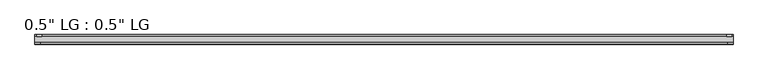
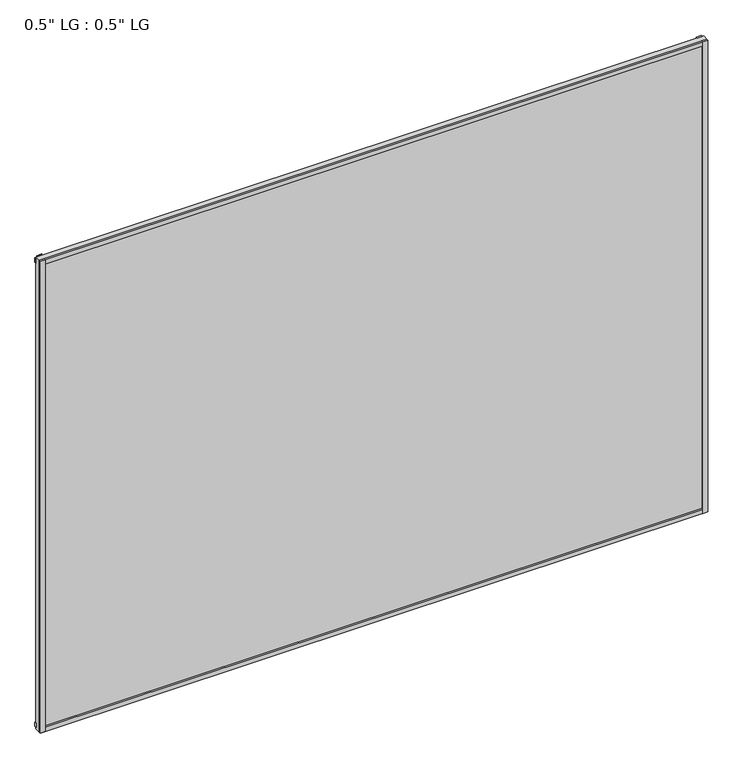
"""IFC4 building model written with IfcOpenShell, lengths in millimetres: plate geometry."""

import ifcopenshell
import ifcopenshell.guid

model = None  # the IFC model being written
_history = None  # IfcOwnerHistory: only IFC2X3 demands one
_inside = {}  # id of a spatial element -> (the spatial element, [elements in it])
_under = {}  # id of a project, library or spatial element -> (it, [spatial elements below it])
_declared = {}  # id of a project -> (the project, [libraries it declares])
_typed = {}  # id of a type object -> (the type object, [elements of that type])
_made_of = {}  # id of a material, layer set ... -> (it, [elements and type objects made of it])


def new_model(schema):
    """Start an empty IFC model of exactly this schema.

    Asked for "IFC4X3", IfcOpenShell would pick the latest addendum, in which some entities
    have other attributes; the version numbers below select the first issue.
    IFC2X3 requires an IfcOwnerHistory on every rooted entity: one is made here for all.
    """
    global model, _history
    if schema == "IFC4X3":
        model = ifcopenshell.file(schema_version=(4, 3, 0, 0))
    else:
        model = ifcopenshell.file(schema=schema)
    _inside.clear()
    _under.clear()
    _declared.clear()
    _typed.clear()
    _made_of.clear()
    _history = None
    if model.schema == "IFC2X3":
        org = make("IfcOrganization", Name="unknown")
        user = make(
            "IfcPersonAndOrganization",
            ThePerson=make("IfcPerson", FamilyName="unknown"),
            TheOrganization=org,
        )
        app = make(
            "IfcApplication",
            ApplicationDeveloper=org,
            Version="unknown",
            ApplicationFullName="unknown",
            ApplicationIdentifier="unknown",
        )
        _history = make(
            "IfcOwnerHistory",
            OwningUser=user,
            OwningApplication=app,
            ChangeAction="ADDED",
            CreationDate=0,
        )
    return model


def make(cls, **values):
    """One entity of the class cls with the attributes given. An attribute that is None is left unset."""
    return model.create_entity(
        cls, **{name: value for name, value in values.items() if value is not None}
    )


def rooted(cls, **values):
    """An entity with a GlobalId (a new one), such as an element, a storey or a relation."""
    return make(cls, GlobalId=ifcopenshell.guid.new(), OwnerHistory=_history, **values)


def si_unit(unit_type, name, prefix=None):
    """IfcSIUnit, for example si_unit("LENGTHUNIT", "METRE", prefix="MILLI")."""
    return make("IfcSIUnit", UnitType=unit_type, Prefix=prefix, Name=name)


def assignment(units):
    """IfcUnitAssignment: the units of a project."""
    return None if units is None else make("IfcUnitAssignment", Units=units)


def point(xyz):
    """IfcCartesianPoint."""
    return None if xyz is None else make("IfcCartesianPoint", Coordinates=xyz)


def direction(xyz):
    """IfcDirection."""
    return None if xyz is None else make("IfcDirection", DirectionRatios=xyz)


def frame(location, z_axis=None, x_axis=None):
    """IfcAxis2Placement3D, a coordinate frame: its origin and axes. An axis left out is left unset."""
    return make(
        "IfcAxis2Placement3D",
        Location=point(location),
        Axis=direction(z_axis),
        RefDirection=direction(x_axis),
    )


def origin():
    """The frame at (0, 0, 0) with its axes left unset."""
    return frame((0.0, 0.0, 0.0))


def origin_with_axes():
    """The frame at (0, 0, 0) with the z axis (0, 0, 1) and the x axis (1, 0, 0) written out."""
    return frame((0.0, 0.0, 0.0), z_axis=(0.0, 0.0, 1.0), x_axis=(1.0, 0.0, 0.0))


def place(relative_to, where):
    """IfcLocalPlacement: puts the frame where relative to a parent placement (None: the world)."""
    return make(
        "IfcLocalPlacement", PlacementRelTo=relative_to, RelativePlacement=where
    )


def context(
    kind, dimensions, precision=None, world=None, true_north=None, identifier=None
):
    """IfcGeometricRepresentationContext, for example the 3D "Model" context."""
    return make(
        "IfcGeometricRepresentationContext",
        ContextIdentifier=identifier,
        ContextType=kind,
        CoordinateSpaceDimension=dimensions,
        Precision=precision,
        WorldCoordinateSystem=world,
        TrueNorth=true_north,
    )


def project(units=None, contexts=None):
    """IfcProject with its units and contexts."""
    return rooted(
        "IfcProject",
        Name="project",
        RepresentationContexts=contexts,
        UnitsInContext=assignment(units),
    )


def spatial(cls, under=None, at=None, **own):
    """A site, building, storey or space (cls), placed at a placement, below another one or the project."""
    s = rooted(cls, ObjectPlacement=at, **own)
    if under is not None:
        _under.setdefault(under.id(), (under, []))[1].append(s)
    return s


def polyline(points):
    """IfcPolyline through the points."""
    return make("IfcPolyline", Points=[point(p) for p in points])


def outline(outer, holes=None, kind="AREA"):
    """IfcArbitraryClosedProfileDef: a profile drawn as a closed curve; with holes, ...WithVoids."""
    if holes is None:
        return make("IfcArbitraryClosedProfileDef", ProfileType=kind, OuterCurve=outer)
    return make(
        "IfcArbitraryProfileDefWithVoids",
        ProfileType=kind,
        OuterCurve=outer,
        InnerCurves=holes,
    )


def extrude(swept, where, along, depth):
    """IfcExtrudedAreaSolid: the profile swept, set in the frame where, extruded along a direction by depth."""
    return make(
        "IfcExtrudedAreaSolid",
        SweptArea=swept,
        Position=where,
        ExtrudedDirection=direction(along),
        Depth=depth,
    )


def shape(context_of_items, identifier, shape_type, items):
    """IfcShapeRepresentation: the items that make up one representation, for example the "Body"."""
    return make(
        "IfcShapeRepresentation",
        ContextOfItems=context_of_items,
        RepresentationIdentifier=identifier,
        RepresentationType=shape_type,
        Items=items,
    )


def source(mapping_origin, context_of_items, identifier, shape_type, items):
    """IfcRepresentationMap: a shape defined once, which mapped items show again and again."""
    return make(
        "IfcRepresentationMap",
        MappingOrigin=mapping_origin,
        MappedRepresentation=shape(context_of_items, identifier, shape_type, items),
    )


def transform(
    local_origin,
    x_axis=None,
    y_axis=None,
    z_axis=None,
    scale=None,
    scale2=None,
    scale3=None,
    uniform=True,
):
    """IfcCartesianTransformationOperator3D, or its non-uniform kind. x_axis, y_axis, z_axis: its Axis1, 2, 3."""
    if uniform:
        return make(
            "IfcCartesianTransformationOperator3D",
            Axis1=direction(x_axis),
            Axis2=direction(y_axis),
            LocalOrigin=point(local_origin),
            Scale=scale,
            Axis3=direction(z_axis),
        )
    return make(
        "IfcCartesianTransformationOperator3DnonUniform",
        Axis1=direction(x_axis),
        Axis2=direction(y_axis),
        LocalOrigin=point(local_origin),
        Scale=scale,
        Axis3=direction(z_axis),
        Scale2=scale2,
        Scale3=scale3,
    )


def mapped(mapping_source, mapping_target):
    """IfcMappedItem: shows the shape of a source again, moved by a transform."""
    return make(
        "IfcMappedItem", MappingSource=mapping_source, MappingTarget=mapping_target
    )


def made_of(thing, what):
    """Note that an element or type object is made of a material, layer set ...; save() writes the relation."""
    if what is not None:
        _made_of.setdefault(what.id(), (what, []))[1].append(thing)
    return thing


def element(
    cls,
    number,
    at=None,
    inside=None,
    cuts=None,
    type_object=None,
    material=None,
    context=None,
    identifier="Body",
    shape_type=None,
    held_by="IfcProductDefinitionShape",
    body=None,
    shapes=None,
    **own,
):
    """One element of the class cls, such as IfcWall. Its Tag is "e" and its number.

    at: its placement. inside: the storey or other place that contains it. cuts: it is an
    opening in that element (IfcRelVoidsElement). A single representation is given by context,
    identifier, shape_type and body (its items); several are given by shapes. held_by: the class
    of the entity that holds the representations. save() writes the other relations.
    """
    e = rooted(cls, Tag="e%d" % number, ObjectPlacement=at, **own)
    if body is not None:
        shapes = [shape(context, identifier, shape_type, body)]
    if shapes is not None:
        e.Representation = make(held_by, Representations=shapes)
    if inside is not None:
        _inside.setdefault(inside.id(), (inside, []))[1].append(e)
    if cuts is not None:
        rooted(
            "IfcRelVoidsElement", RelatingBuildingElement=cuts, RelatedOpeningElement=e
        )
    if type_object is not None:
        _typed.setdefault(type_object.id(), (type_object, []))[1].append(e)
    return made_of(e, material)


def aggregate(whole, parts):
    """IfcRelAggregates: a whole, such as a stair, and the parts it consists of."""
    return rooted("IfcRelAggregates", RelatingObject=whole, RelatedObjects=parts)


def save(model, path):
    """Write the relations noted so far, then the file.

    IfcRelAggregates (storeys below a building ...), IfcRelContainedInSpatialStructure (elements
    in a storey), IfcRelDefinesByType, IfcRelAssociatesMaterial and IfcRelDeclares: one each for
    every whole, place, type object, material and project.
    """
    for whole, parts in _under.values():
        aggregate(whole, parts)
    for where, things in _inside.values():
        rooted(
            "IfcRelContainedInSpatialStructure",
            RelatedElements=things,
            RelatingStructure=where,
        )
    for kind, things in _typed.values():
        rooted("IfcRelDefinesByType", RelatedObjects=things, RelatingType=kind)
    for what, things in _made_of.values():
        rooted("IfcRelAssociatesMaterial", RelatedObjects=things, RelatingMaterial=what)
    for by, libraries in _declared.values():
        rooted("IfcRelDeclares", RelatingContext=by, RelatedDefinitions=libraries)
    model.write(path)


def plate_588fff01(model_context):
    return source(origin(), model_context, "Body", "SweptSolid", [
        extrude(outline(polyline([(825.5, -33.3271813), (825.5, -38.0007813), (813.3623204, -38.0007813), (813.3623204, -33.3271813), (825.5, -33.3271813)])), origin_with_axes(), (0.0, 0.0, 1.0), 1233.5256),
        extrude(outline(polyline([(821.9686463, -15.5217813), (821.9686463, -19.7127813), (809.9562225, -19.7127813), (809.9562225, -15.5217813), (821.9686463, -15.5217813)])), origin_with_axes(), (0.0, 0.0, 1.0), 1233.5256),
        extrude(outline(polyline([(-813.209422, -38.0007812), (-825.5, -38.0007812), (-825.5, -33.3271813), (-813.209422, -33.3271813), (-813.209422, -38.0007812)])), origin_with_axes(), (0.0, 0.0, 1.0), 1233.5256),
        extrude(outline(polyline([(-809.2501841, -19.7127813), (-821.5407621, -19.7127813), (-821.5407621, -15.5217812), (-809.2501841, -15.5217812), (-809.2501841, -19.7127813)])), origin_with_axes(), (0.0, 0.0, 1.0), 1233.5256),
        extrude(outline(polyline([(825.5, -33.3271813), (825.5, -38.0007813), (-825.5, -38.0007812), (-825.5, -33.3271813), (825.5, -33.3271813)])), origin_with_axes(), (0.0, 0.0, 1.0), 11.1693096),
        extrude(outline(polyline([(825.5, -15.3590708), (825.5, -20.1364307), (-825.5, -20.1364307), (-825.5, -15.3590708), (825.5, -15.3590708)])), frame((0.0, 0.0, 3.848913), z_axis=(0.0, 0.0, 1.0), x_axis=(1.0, 0.0, 0.0)), (0.0, 0.0, 1.0), 11.1693096),
        extrude(outline(polyline([(825.5, -33.3271813), (825.5, -38.0007813), (-825.5, -38.0007812), (-825.5, -33.3271812), (825.5, -33.3271813)])), frame((0.0, 0.0, 1222.3444942), z_axis=(0.0, 0.0, 1.0), x_axis=(1.0, 0.0, 0.0)), (0.0, 0.0, 1.0), 11.1811058),
        extrude(outline(polyline([(825.5, -15.5217813), (825.5, -19.7127813), (-825.5, -19.7127812), (-825.5, -15.5217813), (825.5, -15.5217813)])), frame((0.0, 0.0, 1217.7853474), z_axis=(0.0, 0.0, 1.0), x_axis=(1.0, 0.0, 0.0)), (0.0, 0.0, 1.0), 11.1811058),
        extrude(outline(polyline([(825.5, -33.3271812), (-825.5, -33.3271812), (-825.5, -19.7127812), (825.5, -19.7127812), (825.5, -33.3271812)])), origin_with_axes(), (0.0, 0.0, 1.0), 1233.5256),
    ])


if __name__ == "__main__":
    model = new_model("IFC4")
    model_context = context("Model", 3, world=origin())
    ifc_project = project(units=[si_unit("LENGTHUNIT", "METRE", prefix="MILLI")], contexts=[model_context])
    site = spatial("IfcSite", under=ifc_project)
    building = spatial("IfcBuilding", under=site)
    placement = place(None, origin())
    plate_shape = plate_588fff01(model_context)
    element("IfcPlate", 1, ObjectType="0.5\" LG : 0.5\" LG", at=placement, inside=building, context=model_context, shape_type="MappedRepresentation", body=[
        mapped(plate_shape, transform((0.0, 0.0, 0.0), x_axis=(1.0, 0.0, 0.0), y_axis=(0.0, 1.0, 0.0), z_axis=(0.0, 0.0, 1.0))),
    ])
    save(model, "model.ifc")
